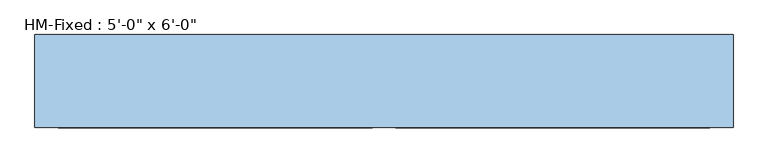
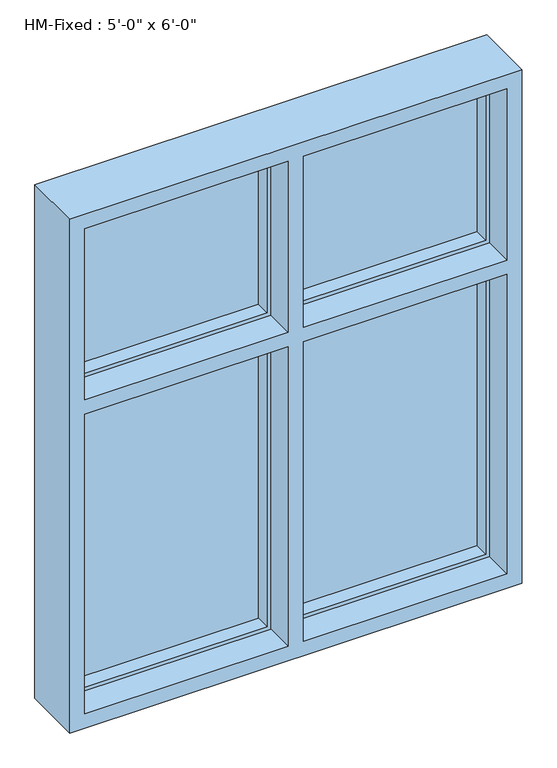
"""IFC4 building model written with IfcOpenShell, lengths in millimetres: window geometry."""

from ifc_helpers import new_model, si_unit, frame, origin, place, context, project, spatial, polyline, outline, extrude, faceted_brep, source, transform, mapped, element, save


def window_944739a2(model_context):
    return source(origin(), model_context, "Body", "SolidModel", [
        faceted_brep([(762.0, -76.2, 1016.0), (762.0, -76.2, 2844.8), (-762.0, -76.2, 2844.8), (-762.0, -76.2, 1016.0), (-25.4, -76.2, 1066.8), (-711.2, -76.2, 1066.8), (-711.2, -76.2, 2133.6), (-25.4, -76.2, 2133.6), (-711.2, -76.2, 2794.0), (-25.4, -76.2, 2794.0), (-25.4, -76.2, 2184.4), (-711.2, -76.2, 2184.4), (25.4, -76.2, 2794.0), (711.2, -76.2, 2794.0), (711.2, -76.2, 2184.4), (25.4, -76.2, 2184.4), (25.4, -76.2, 2133.6), (711.2, -76.2, 2133.6), (711.2, -76.2, 1066.8), (25.4, -76.2, 1066.8), (-762.0, 127.0, 2844.8), (-762.0, 127.0, 1016.0), (762.0, 127.0, 2844.8), (762.0, 127.0, 1016.0), (25.4, 127.0, 1066.8), (711.2, 127.0, 1066.8), (711.2, 127.0, 2133.6), (25.4, 127.0, 2133.6), (-711.2, 127.0, 1066.8), (-25.4, 127.0, 1066.8), (-25.4, 127.0, 2133.6), (-711.2, 127.0, 2133.6), (-25.4, 127.0, 2794.0), (-711.2, 127.0, 2794.0), (-711.2, 127.0, 2184.4), (-25.4, 127.0, 2184.4), (25.4, 127.0, 2184.4), (711.2, 127.0, 2184.4), (711.2, 127.0, 2794.0), (25.4, 127.0, 2794.0), (25.4, 76.2, 1066.8), (25.4, 76.2, 2133.6), (25.4, 101.6, 2794.0), (25.4, 101.6, 2184.4), (25.4, 76.2, 2794.0), (25.4, 76.2, 2184.4), (25.4, 88.9, 2184.4), (25.4, 88.9, 2794.0), (711.2, 76.2, 1066.8), (-711.2, 76.2, 1066.8), (-25.4, 76.2, 1066.8), (-25.4, 76.2, 2133.6), (-25.4, 76.2, 2794.0), (-25.4, 76.2, 2184.4), (-711.2, 76.2, 2133.6), (-711.2, 76.2, 2794.0), (-711.2, 76.2, 2184.4), (711.2, 25.4, 1066.8), (25.4, 25.4, 1066.8), (-711.2, 25.4, 1066.8), (-25.4, 25.4, 1066.8), (25.4, 25.4, 2133.6), (25.4, 25.4, 2794.0), (25.4, 25.4, 2184.4), (-711.2, 25.4, 2133.6), (-711.2, 25.4, 2794.0), (-711.2, 25.4, 2184.4), (-25.4, 25.4, 2133.6), (-25.4, 25.4, 2794.0), (-25.4, 25.4, 2184.4), (-38.1, 25.4, 1079.5), (-698.5, 25.4, 1079.5), (-698.5, 25.4, 2120.9), (-38.1, 25.4, 2120.9), (711.2, 25.4, 2133.6), (38.1, 25.4, 1079.5), (38.1, 25.4, 2120.9), (698.5, 25.4, 2120.9), (698.5, 25.4, 1079.5), (-698.5, 25.4, 2781.3), (-38.1, 25.4, 2781.3), (-38.1, 25.4, 2197.1), (-698.5, 25.4, 2197.1), (711.2, 25.4, 2184.4), (711.2, 25.4, 2794.0), (38.1, 25.4, 2197.1), (38.1, 25.4, 2781.3), (698.5, 25.4, 2781.3), (698.5, 25.4, 2197.1), (38.1, 76.2, 1079.5), (698.5, 76.2, 1079.5), (-698.5, 76.2, 1079.5), (-38.1, 76.2, 1079.5), (38.1, 76.2, 2120.9), (38.1, 76.2, 2781.3), (38.1, 76.2, 2197.1), (-698.5, 76.2, 2120.9), (-698.5, 76.2, 2781.3), (-698.5, 76.2, 2197.1), (-38.1, 76.2, 2120.9), (-38.1, 76.2, 2781.3), (-38.1, 76.2, 2197.1), (711.2, 76.2, 2133.6), (698.5, 76.2, 2120.9), (711.2, 76.2, 2794.0), (711.2, 76.2, 2184.4), (698.5, 76.2, 2197.1), (698.5, 76.2, 2781.3), (711.2, 101.6, 2794.0), (711.2, 88.9, 2794.0), (711.2, 101.6, 2184.4), (711.2, 88.9, 2184.4), (38.1, 88.9, 2197.1), (38.1, 88.9, 2781.3), (698.5, 88.9, 2781.3), (698.5, 88.9, 2197.1), (38.1, 101.6, 2781.3), (38.1, 101.6, 2197.1), (698.5, 101.6, 2197.1), (698.5, 101.6, 2781.3)], [[[0, 1, 2, 3], [4, 5, 6, 7], [8, 9, 10, 11], [12, 13, 14, 15], [16, 17, 18, 19]], [[2, 20, 21, 3]], [[22, 23, 21, 20], [24, 25, 26, 27], [28, 29, 30, 31], [32, 33, 34, 35], [36, 37, 38, 39]], [[0, 3, 21, 23]], [[40, 24, 27, 41]], [[36, 39, 42, 43]], [[44, 45, 46, 47]], [[25, 24, 40, 48]], [[28, 49, 50, 29]], [[29, 50, 51, 30]], [[52, 32, 35, 53]], [[49, 28, 31, 54]], [[33, 55, 56, 34]], [[19, 18, 57, 58]], [[59, 5, 4, 60]], [[19, 58, 61, 16]], [[62, 12, 15, 63]], [[5, 59, 64, 6]], [[65, 8, 11, 66]], [[60, 4, 7, 67]], [[9, 68, 69, 10]], [[59, 60, 67, 64], [70, 71, 72, 73]], [[61, 58, 57, 74], [75, 76, 77, 78]], [[68, 65, 66, 69], [79, 80, 81, 82]], [[62, 63, 83, 84], [85, 86, 87, 88]], [[89, 75, 78, 90]], [[91, 71, 70, 92]], [[75, 89, 93, 76]], [[94, 86, 85, 95]], [[71, 91, 96, 72]], [[97, 79, 82, 98]], [[92, 70, 73, 99]], [[80, 100, 101, 81]], [[40, 41, 102, 48], [93, 89, 90, 103]], [[50, 49, 54, 51], [91, 92, 99, 96]], [[45, 44, 104, 105], [94, 95, 106, 107]], [[55, 52, 53, 56], [100, 97, 98, 101]], [[22, 20, 2, 1]], [[13, 12, 62, 84]], [[8, 65, 68, 9]], [[86, 94, 107, 87]], [[79, 97, 100, 80]], [[39, 38, 108, 42]], [[55, 33, 32, 52]], [[104, 44, 47, 109]], [[27, 26, 102, 41]], [[31, 30, 51, 54]], [[37, 36, 43, 110]], [[35, 34, 56, 53]], [[46, 45, 105, 111]], [[82, 81, 101, 98]], [[95, 85, 88, 106]], [[15, 14, 83, 63]], [[11, 10, 69, 66]], [[17, 16, 61, 74]], [[7, 6, 64, 67]], [[73, 72, 96, 99]], [[76, 93, 103, 77]], [[109, 47, 46, 111], [112, 113, 114, 115]], [[42, 108, 110, 43], [116, 117, 118, 119]], [[112, 117, 116, 113]], [[113, 116, 119, 114]], [[114, 119, 118, 115]], [[117, 112, 115, 118]], [[22, 1, 0, 23]], [[74, 57, 18, 17]], [[84, 83, 14, 13]], [[103, 90, 78, 77]], [[88, 87, 107, 106]], [[26, 25, 48, 102]], [[38, 37, 110, 108]], [[105, 104, 109, 111]]]),
        extrude(outline(polyline([(2184.4, -711.2), (2184.4, -25.4), (2794.0, -25.4), (2794.0, -711.2), (2184.4, -711.2)]), holes=[polyline([(2781.3, -698.5), (2781.3, -38.1), (2197.1, -38.1), (2197.1, -698.5), (2781.3, -698.5)])]), frame((0.0, 88.9, 0.0), z_axis=(0.0, 1.0, 0.0), x_axis=(0.0, 0.0, 1.0)), (0.0, 0.0, 1.0), 12.7),
        extrude(outline(polyline([(-711.2, 88.9), (-25.4, 88.9), (-25.4, 76.2), (-711.2, 76.2), (-711.2, 88.9)])), frame((0.0, 0.0, 2184.4), z_axis=(0.0, 0.0, 1.0), x_axis=(1.0, 0.0, 0.0)), (0.0, 0.0, 1.0), 609.6),
        extrude(outline(polyline([(25.4, 88.9), (711.2, 88.9), (711.2, 76.2), (25.4, 76.2), (25.4, 88.9)])), frame((0.0, 0.0, 2184.4), z_axis=(0.0, 0.0, 1.0), x_axis=(1.0, 0.0, 0.0)), (0.0, 0.0, 1.0), 609.6),
        extrude(outline(polyline([(1066.8, -711.2), (1066.8, -25.4), (2133.6, -25.4), (2133.6, -711.2), (1066.8, -711.2)]), holes=[polyline([(2120.9, -698.5), (2120.9, -38.1), (1079.5, -38.1), (1079.5, -698.5), (2120.9, -698.5)])]), frame((0.0, 88.9, 0.0), z_axis=(0.0, 1.0, 0.0), x_axis=(0.0, 0.0, 1.0)), (0.0, 0.0, 1.0), 12.7),
        extrude(outline(polyline([(1066.8, 25.4), (1066.8, 711.2), (2133.6, 711.2), (2133.6, 25.4), (1066.8, 25.4)]), holes=[polyline([(2120.9, 38.1), (2120.9, 698.5), (1079.5, 698.5), (1079.5, 38.1), (2120.9, 38.1)])]), frame((0.0, 88.9, 0.0), z_axis=(0.0, 1.0, 0.0), x_axis=(0.0, 0.0, 1.0)), (0.0, 0.0, 1.0), 12.7),
        extrude(outline(polyline([(-711.2, 88.9), (-25.4, 88.9), (-25.4, 76.2), (-711.2, 76.2), (-711.2, 88.9)])), frame((0.0, 0.0, 1066.8), z_axis=(0.0, 0.0, 1.0), x_axis=(1.0, 0.0, 0.0)), (0.0, 0.0, 1.0), 1066.8),
        extrude(outline(polyline([(25.4, 88.9), (711.2, 88.9), (711.2, 76.2), (25.4, 76.2), (25.4, 88.9)])), frame((0.0, 0.0, 1066.8), z_axis=(0.0, 0.0, 1.0), x_axis=(1.0, 0.0, 0.0)), (0.0, 0.0, 1.0), 1066.8),
    ])


if __name__ == "__main__":
    model = new_model("IFC4")
    model_context = context("Model", 3, world=origin())
    ifc_project = project(units=[si_unit("LENGTHUNIT", "METRE", prefix="MILLI")], contexts=[model_context])
    site = spatial("IfcSite", under=ifc_project)
    building = spatial("IfcBuilding", under=site)
    placement = place(None, origin())
    window_shape = window_944739a2(model_context)
    element("IfcWindow", 1, ObjectType="HM-Fixed : 5'-0\" x 6'-0\"", at=placement, inside=building, context=model_context, shape_type="MappedRepresentation", body=[
        mapped(window_shape, transform((0.0, 0.0, 0.0), x_axis=(1.0, 0.0, 0.0), y_axis=(0.0, 1.0, 0.0), z_axis=(0.0, 0.0, 1.0))),
    ])
    save(model, "model.ifc")
